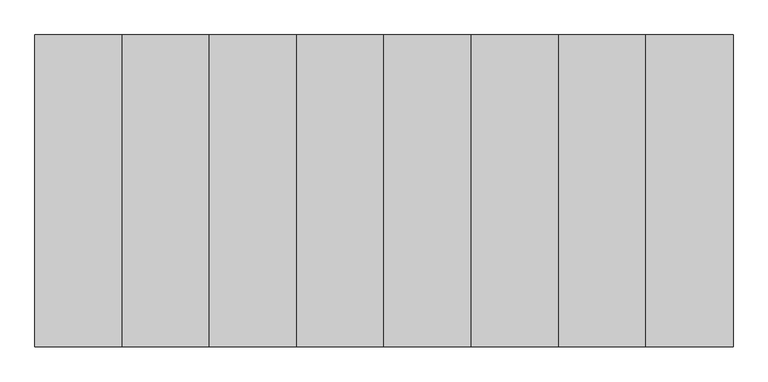
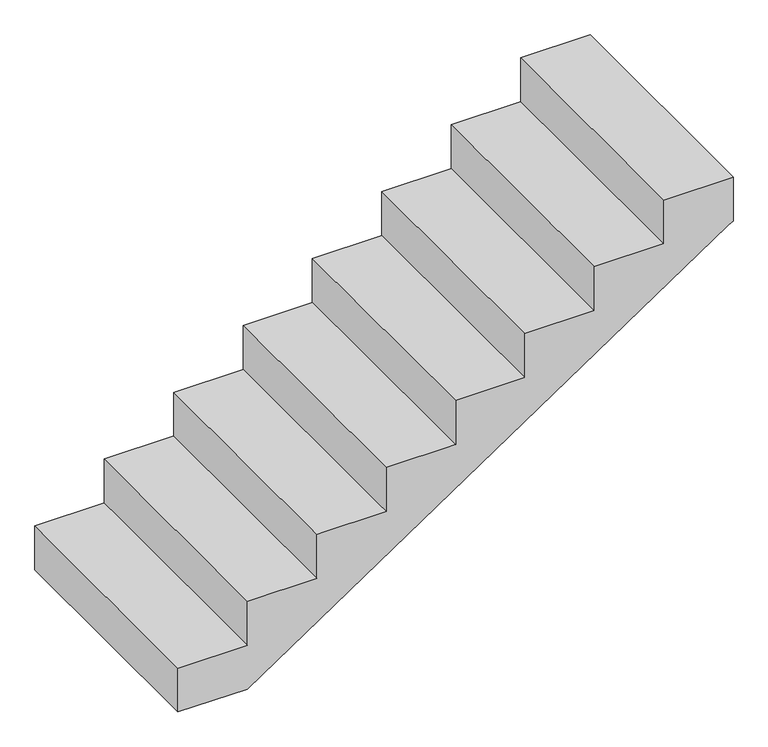
"""IFC4 building model written with IfcOpenShell, lengths in millimetres: stair geometry."""

from ifc_helpers import new_model, si_unit, origin, place, context, project, spatial, faceted_brep, source, transform, mapped, element, save


def stair_00babcc9(model_context):
    return source(origin(), model_context, "Body", "Brep", [
        faceted_brep([(5394.1127713, 2200.0, 3000.0), (5674.1127713, 2200.0, 3000.0), (5674.1127713, 2200.0, 2812.5), (5655.4461046, 2200.0, 2800.0), (3714.1127713, 2200.0, 1500.0), (3434.1127713, 2200.0, 1500.0), (3434.1127713, 2200.0, 1687.5), (3714.1127713, 2200.0, 1687.5), (3714.1127713, 2200.0, 1875.0), (3994.1127713, 2200.0, 1875.0), (3994.1127713, 2200.0, 2062.5), (4274.1127713, 2200.0, 2062.5), (4274.1127713, 2200.0, 2250.0), (4554.1127713, 2200.0, 2250.0), (4554.1127713, 2200.0, 2437.5), (4834.1127713, 2200.0, 2437.5), (4834.1127713, 2200.0, 2625.0), (5114.1127713, 2200.0, 2625.0), (5114.1127713, 2200.0, 2812.5), (5394.1127713, 2200.0, 2812.5), (5394.1127713, 1200.0, 3000.0), (5394.1127713, 1200.0, 2812.5), (5114.1127713, 1200.0, 2812.5), (5114.1127713, 1200.0, 2625.0), (4834.1127713, 1200.0, 2625.0), (4834.1127713, 1200.0, 2437.5), (4554.1127713, 1200.0, 2437.5), (4554.1127713, 1200.0, 2250.0), (4274.1127713, 1200.0, 2250.0), (4274.1127713, 1200.0, 2062.5), (3994.1127713, 1200.0, 2062.5), (3994.1127713, 1200.0, 1875.0), (3714.1127713, 1200.0, 1875.0), (3714.1127713, 1200.0, 1687.5), (3434.1127713, 1200.0, 1687.5), (3434.1127713, 1200.0, 1500.0), (3714.1127713, 1200.0, 1500.0), (5655.4461046, 1200.0, 2800.0), (5674.1127713, 1200.0, 2812.5), (5674.1127713, 1200.0, 3000.0)], [[[0, 1, 2, 3, 4, 5, 6, 7, 8, 9, 10, 11, 12, 13, 14, 15, 16, 17, 18, 19]], [[20, 21, 22, 23, 24, 25, 26, 27, 28, 29, 30, 31, 32, 33, 34, 35, 36, 37, 38, 39]], [[1, 0, 20, 39]], [[2, 1, 39, 38]], [[4, 3, 2, 38, 37, 36]], [[5, 4, 36, 35]], [[6, 5, 35, 34]], [[7, 6, 34, 33]], [[8, 7, 33, 32]], [[9, 8, 32, 31]], [[10, 9, 31, 30]], [[11, 10, 30, 29]], [[12, 11, 29, 28]], [[13, 12, 28, 27]], [[14, 13, 27, 26]], [[15, 14, 26, 25]], [[16, 15, 25, 24]], [[17, 16, 24, 23]], [[18, 17, 23, 22]], [[19, 18, 22, 21]], [[0, 19, 21, 20]]]),
    ])


if __name__ == "__main__":
    model = new_model("IFC4")
    model_context = context("Model", 3, world=origin())
    ifc_project = project(units=[si_unit("LENGTHUNIT", "METRE", prefix="MILLI")], contexts=[model_context])
    site = spatial("IfcSite", under=ifc_project)
    building = spatial("IfcBuilding", under=site)
    placement = place(None, origin())
    stair_shape = stair_00babcc9(model_context)
    element("IfcStair", 1, at=placement, inside=building, context=model_context, shape_type="MappedRepresentation", body=[
        mapped(stair_shape, transform((0.0, 0.0, 0.0), x_axis=(1.0, 0.0, 0.0), y_axis=(0.0, 1.0, 0.0), z_axis=(0.0, 0.0, 1.0))),
    ])
    save(model, "model.ifc")
